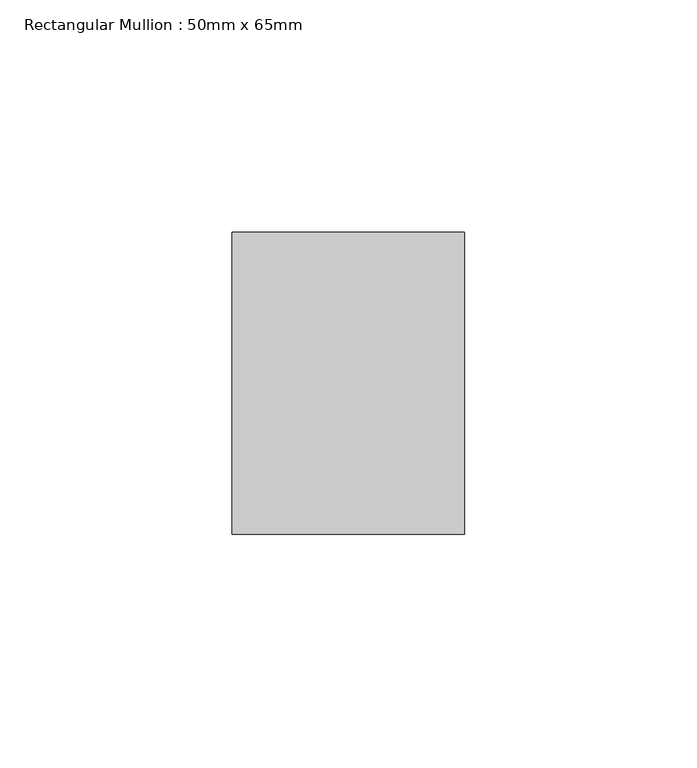
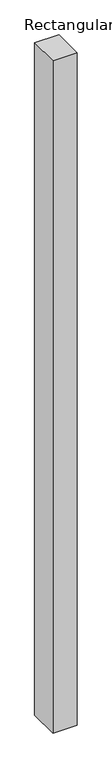
"""IFC4 building model written with IfcOpenShell, lengths in millimetres: member geometry, Rectangular Mullion : 50mm x 65mm."""

from ifc_helpers import new_model, si_unit, frame, origin, place, context, project, spatial, polyline, outline, extrude, source, transform, mapped, element, save


def rectangular_mullion_50mm_x_65mm_8d2da13f(model_context):
    return source(origin(), model_context, "Body", "SweptSolid", [
        extrude(outline(polyline([(25.0, 32.5), (25.0, -32.5), (-25.0, -32.5), (-25.0, 32.5), (25.0, 32.5)])), frame((0.0, 0.0, -1473.7161101), z_axis=(0.0, 0.0, 1.0), x_axis=(1.0, 0.0, 0.0)), (0.0, 0.0, 1.0), 1473.7161101),
    ])


if __name__ == "__main__":
    model = new_model("IFC4")
    model_context = context("Model", 3, world=origin())
    ifc_project = project(units=[si_unit("LENGTHUNIT", "METRE", prefix="MILLI")], contexts=[model_context])
    site = spatial("IfcSite", under=ifc_project)
    building = spatial("IfcBuilding", under=site)
    placement = place(None, origin())
    rectangular_mullion_50mm_x_65mm_shape = rectangular_mullion_50mm_x_65mm_8d2da13f(model_context)
    element("IfcMember", 1, ObjectType="Rectangular Mullion : 50mm x 65mm", at=placement, inside=building, context=model_context, shape_type="MappedRepresentation", body=[
        mapped(rectangular_mullion_50mm_x_65mm_shape, transform((0.0, 0.0, 0.0), x_axis=(1.0, 0.0, 0.0), y_axis=(0.0, 1.0, 0.0), z_axis=(0.0, 0.0, 1.0))),
    ])
    save(model, "model.ifc")
